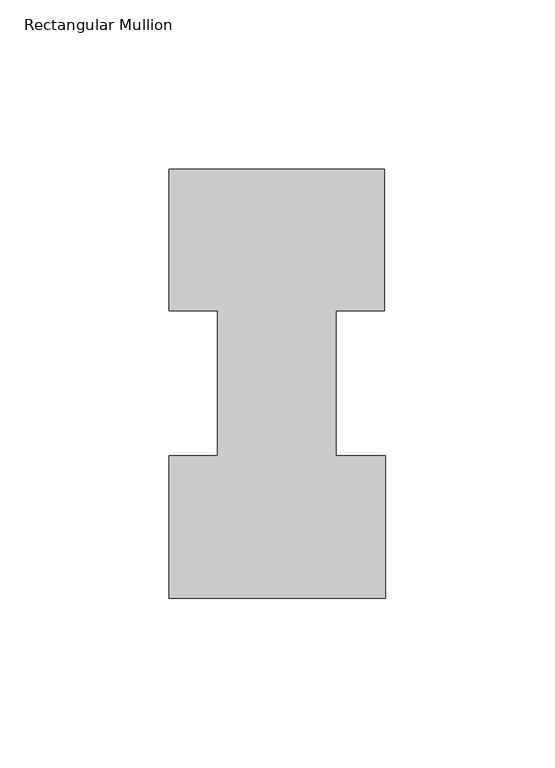
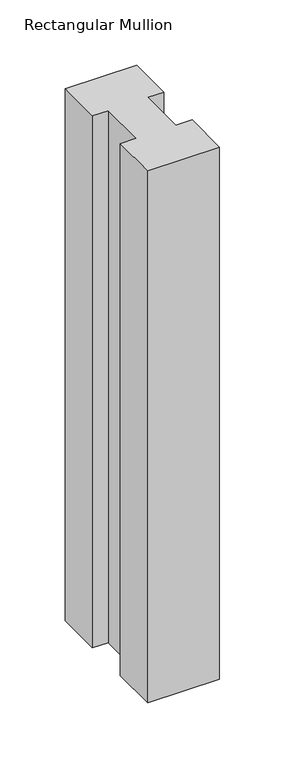
"""IFC4 building model written with IfcOpenShell, lengths in millimetres: member geometry, Rectangular Mullion."""

from ifc_helpers import new_model, si_unit, frame, origin, place, context, project, spatial, polyline, outline, extrude, source, transform, mapped, element, save


def rectangular_mullion_31cb5d9c(model_context):
    return source(origin(), model_context, "Body", "SweptSolid", [
        extrude(outline(polyline([(-63.5, 0.2428875), (-63.5, 42.2798875), (-49.21504, 42.2798875), (-49.21504, 85.1296875), (-63.5, 85.1296875), (-63.5, 126.7348875), (0.0, 126.7348875), (0.0, 85.1296875), (-14.2748, 85.1296875), (-14.2748, 42.2798875), (0.2408142, 42.2798875), (0.2408142, 0.2428875), (-63.5, 0.2428875)])), frame((0.0, 0.0, -498.4755426), z_axis=(0.0, 0.0, 1.0), x_axis=(1.0, 0.0, 0.0)), (0.0, 0.0, 1.0), 498.4755426),
    ])


if __name__ == "__main__":
    model = new_model("IFC4")
    model_context = context("Model", 3, world=origin())
    ifc_project = project(units=[si_unit("LENGTHUNIT", "METRE", prefix="MILLI")], contexts=[model_context])
    site = spatial("IfcSite", under=ifc_project)
    building = spatial("IfcBuilding", under=site)
    placement = place(None, origin())
    rectangular_mullion_shape = rectangular_mullion_31cb5d9c(model_context)
    element("IfcMember", 1, ObjectType="Rectangular Mullion", at=placement, inside=building, context=model_context, shape_type="MappedRepresentation", body=[
        mapped(rectangular_mullion_shape, transform((0.0, 0.0, 0.0), x_axis=(1.0, 0.0, 0.0), y_axis=(0.0, 1.0, 0.0), z_axis=(0.0, 0.0, 1.0))),
    ])
    save(model, "model.ifc")
